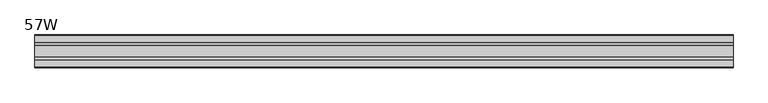
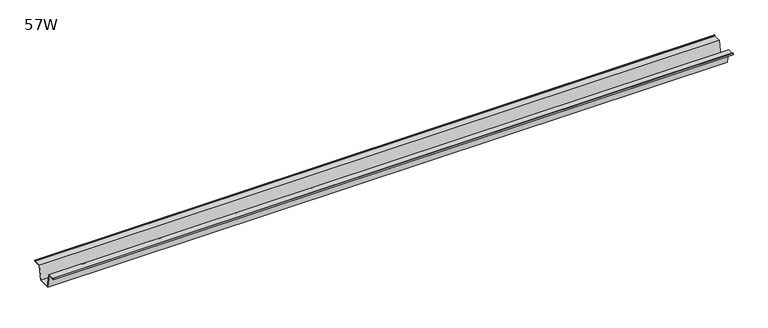
"""IFC4 building model written with IfcOpenShell, lengths in millimetres: furniture geometry, 57W."""

from ifc_helpers import new_model, si_unit, frame, origin, place, context, project, spatial, polyline, outline, extrude, source, transform, mapped, element, save


def furniture_57w_1dc60deb(model_context):
    return source(origin(), model_context, "Body", "SweptSolid", [
        extrude(outline(polyline([(-22.9397721, 733.425), (-28.502372, 703.1990007), (-53.9023728, 703.1990007), (-59.4649727, 733.425), (-75.3653716, 733.425), (-75.3653716, 736.6), (-74.5716216, 736.6), (-74.5716216, 734.21875), (-58.8172994, 734.21875), (-53.2546995, 703.9927507), (-29.1500453, 703.9927507), (-23.5874454, 734.21875), (-7.8331232, 734.21875), (-7.8331232, 736.6), (-7.0393732, 736.6), (-7.0393732, 733.425), (-22.9397721, 733.425)])), frame((-728.98, 0.0, 0.0), z_axis=(1.0, 0.0, 0.0), x_axis=(0.0, 1.0, 0.0)), (0.0, 0.0, 1.0), 1457.96),
    ])


if __name__ == "__main__":
    model = new_model("IFC4")
    model_context = context("Model", 3, world=origin())
    ifc_project = project(units=[si_unit("LENGTHUNIT", "METRE", prefix="MILLI")], contexts=[model_context])
    site = spatial("IfcSite", under=ifc_project)
    building = spatial("IfcBuilding", under=site)
    placement = place(None, origin())
    furniture_57w_shape = furniture_57w_1dc60deb(model_context)
    element("IfcFurniture", 1, ObjectType="57W", at=placement, inside=building, context=model_context, shape_type="MappedRepresentation", body=[
        mapped(furniture_57w_shape, transform((0.0, 0.0, 0.0), x_axis=(1.0, 0.0, 0.0), y_axis=(0.0, 1.0, 0.0), z_axis=(0.0, 0.0, 1.0))),
    ])
    save(model, "model.ifc")
